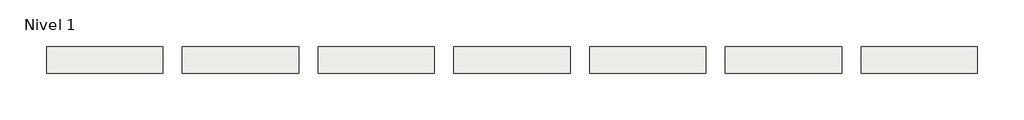
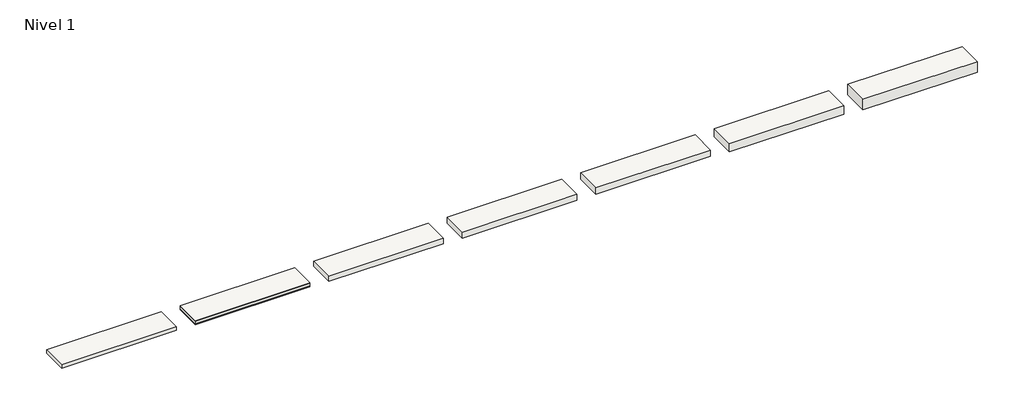
# One storey: 7 slabs.
"""IFC4 building model written with IfcOpenShell, lengths in millimetres."""

from ifc_helpers import new_model, si_unit, frame, origin, place, context, project, spatial, polyline, outline, extrude, element, save

model = new_model("IFC4")

# Units and contexts
model_context = context("Model", 3, world=origin())
ifc_project = project(units=[si_unit("LENGTHUNIT", "METRE", prefix="MILLI")], contexts=[model_context])

# Site, building, storey
site = spatial("IfcSite", under=ifc_project)
building = spatial("IfcBuilding", under=site)
storey = spatial("IfcBuildingStorey", under=building, Name="Nivel 1", Elevation=0.0)

# Slabs
placement = place(None, origin())
element("IfcSlab", 1, at=placement, inside=storey, context=model_context, shape_type="SweptSolid", body=[
    extrude(outline(polyline([(1184.4345966, -2901.6608764), (1184.4345966, -3451.6608764), (-1215.5654034, -3451.6608764), (-1215.5654034, -2901.6608764), (1184.4345966, -2901.6608764)])), frame((0.0, 0.0, -12.5), z_axis=(0.0, 0.0, 1.0), x_axis=(1.0, 0.0, 0.0)), (0.0, 0.0, 1.0), 12.5),
    extrude(outline(polyline([(1184.4345966, -2901.6608764), (1184.4345966, -3451.6608764), (-1215.5654034, -3451.6608764), (-1215.5654034, -2901.6608764), (1184.4345966, -2901.6608764)])), frame((0.0, 0.0, -72.5), z_axis=(0.0, 0.0, 1.0), x_axis=(1.0, 0.0, 0.0)), (0.0, 0.0, 1.0), 60.0),
    extrude(outline(polyline([(1184.4345966, -2901.6608764), (1184.4345966, -3451.6608764), (-1215.5654034, -3451.6608764), (-1215.5654034, -2901.6608764), (1184.4345966, -2901.6608764)])), frame((0.0, 0.0, -91.5), z_axis=(0.0, 0.0, 1.0), x_axis=(1.0, 0.0, 0.0)), (0.0, 0.0, 1.0), 19.0),
])
element("IfcSlab", 2, at=placement, inside=storey, context=model_context, shape_type="SweptSolid", body=[
    extrude(outline(polyline([(-1615.5654034, -2901.6608764), (-1615.5654034, -3451.6608764), (-4015.5654034, -3451.6608764), (-4015.5654034, -2901.6608764), (-1615.5654034, -2901.6608764)])), frame((0.0, 0.0, -71.5), z_axis=(0.0, 0.0, 1.0), x_axis=(1.0, 0.0, 0.0)), (0.0, 0.0, 1.0), 71.5),
])
element("IfcSlab", 3, at=placement, inside=storey, context=model_context, shape_type="SweptSolid", body=[
    extrude(outline(polyline([(3984.4345966, -2901.6608764), (3984.4345966, -3451.6608764), (1584.4345966, -3451.6608764), (1584.4345966, -2901.6608764), (3984.4345966, -2901.6608764)])), frame((0.0, 0.0, -111.5), z_axis=(0.0, 0.0, 1.0), x_axis=(1.0, 0.0, 0.0)), (0.0, 0.0, 1.0), 111.5),
])
element("IfcSlab", 4, at=placement, inside=storey, context=model_context, shape_type="SweptSolid", body=[
    extrude(outline(polyline([(6784.4345966, -2901.6608764), (6784.4345966, -3451.6608764), (4384.4345966, -3451.6608764), (4384.4345966, -2901.6608764), (6784.4345966, -2901.6608764)])), frame((0.0, 0.0, -131.5), z_axis=(0.0, 0.0, 1.0), x_axis=(1.0, 0.0, 0.0)), (0.0, 0.0, 1.0), 131.5),
])
element("IfcSlab", 5, at=placement, inside=storey, context=model_context, shape_type="SweptSolid", body=[
    extrude(outline(polyline([(9584.4345966, -2901.6608764), (9584.4345966, -3451.6608764), (7184.4345966, -3451.6608764), (7184.4345966, -2901.6608764), (9584.4345966, -2901.6608764)])), frame((0.0, 0.0, -142.5), z_axis=(0.0, 0.0, 1.0), x_axis=(1.0, 0.0, 0.0)), (0.0, 0.0, 1.0), 142.5),
])
element("IfcSlab", 6, at=placement, inside=storey, context=model_context, shape_type="SweptSolid", body=[
    extrude(outline(polyline([(12384.4345966, -2901.6608764), (12384.4345966, -3451.6608764), (9984.4345966, -3451.6608764), (9984.4345966, -2901.6608764), (12384.4345966, -2901.6608764)])), frame((0.0, 0.0, -182.5), z_axis=(0.0, 0.0, 1.0), x_axis=(1.0, 0.0, 0.0)), (0.0, 0.0, 1.0), 182.5),
])
element("IfcSlab", 7, at=placement, inside=storey, context=model_context, shape_type="SweptSolid", body=[
    extrude(outline(polyline([(15184.4345966, -2901.6608764), (15184.4345966, -3451.6608764), (12784.4345966, -3451.6608764), (12784.4345966, -2901.6608764), (15184.4345966, -2901.6608764)])), frame((0.0, 0.0, -231.5), z_axis=(0.0, 0.0, 1.0), x_axis=(1.0, 0.0, 0.0)), (0.0, 0.0, 1.0), 231.5),
])

save(model, "model.ifc")
